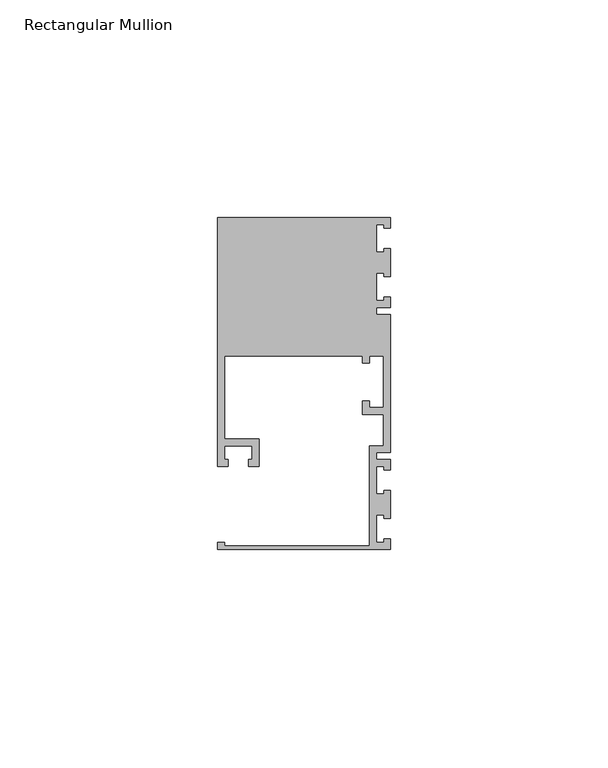
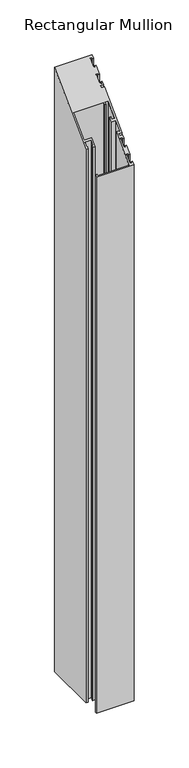
"""IFC4 building model written with IfcOpenShell, lengths in millimetres: member geometry, Rectangular Mullion."""

from ifc_helpers import new_model, si_unit, origin, place, context, project, spatial, faceted_brep, source, transform, mapped, element, save


def rectangular_mullion_5d78ac94(model_context):
    return source(origin(), model_context, "Body", "Brep", [
        faceted_brep([(0.0, -38.1, -635.0), (-39.6875, -38.1, -635.0), (-39.6875, -36.5125, -635.0), (-38.1, -36.5125, -635.0), (-38.1, -37.30625, -635.0), (-4.7625, -37.30625, -635.0), (-4.7625, -14.2875, -635.0), (-1.5875, -14.2875, -635.0), (-1.5875, -7.14375, -635.0), (-6.35, -7.14375, -635.0), (-6.35, -3.96875, -635.0), (-4.7625, -3.96875, -635.0), (-4.7625, -5.55625, -635.0), (-1.5875, -5.55625, -635.0), (-1.5875, 6.35, -635.0), (-4.7625, 6.35, -635.0), (-4.7625, 4.7625, -635.0), (-6.35, 4.7625, -635.0), (-6.35, 6.35, -635.0), (-38.1, 6.35, -635.0), (-38.1, -12.7, -635.0), (-30.1625, -12.7, -635.0), (-30.1625, -19.05, -635.0), (-32.54375, -19.05, -635.0), (-32.54375, -17.4625, -635.0), (-31.75, -17.4625, -635.0), (-31.75, -14.2875, -635.0), (-38.1, -14.2875, -635.0), (-38.1, -17.4625, -635.0), (-37.30625, -17.4625, -635.0), (-37.30625, -19.05, -635.0), (-39.6875, -19.05, -635.0), (-39.6875, 38.1, -635.0), (0.0, 38.1, -635.0), (0.0, 35.71875, -635.0), (-1.4999946, 35.71875, -635.0), (-1.4999946, 36.5125, -635.0), (-3.175, 36.5125, -635.0), (-3.175, 30.1625, -635.0), (-1.4999946, 30.1625, -635.0), (-1.4999946, 30.95625, -635.0), (0.0, 30.95625, -635.0), (0.0, 24.60625, -635.0), (-1.4999946, 24.60625, -635.0), (-1.4999946, 25.4, -635.0), (-3.175, 25.4, -635.0), (-3.175, 19.05, -635.0), (-1.4999946, 19.05, -635.0), (-1.4999946, 19.84375, -635.0), (0.0, 19.84375, -635.0), (0.0, 17.4625, -635.0), (-3.175, 17.4625, -635.0), (-3.175, 15.875, -635.0), (0.0, 15.875, -635.0), (0.0, -15.875, -635.0), (-3.175, -15.875, -635.0), (-3.175, -17.4625, -635.0), (0.0, -17.4625, -635.0), (0.0, -19.84375, -635.0), (-1.4999946, -19.84375, -635.0), (-1.4999946, -19.05, -635.0), (-3.175, -19.05, -635.0), (-3.175, -25.4, -635.0), (-1.4999946, -25.4, -635.0), (-1.4999946, -24.60625, -635.0), (0.0, -24.60625, -635.0), (0.0, -30.95625, -635.0), (-1.4999946, -30.95625, -635.0), (-1.4999946, -30.1625, -635.0), (-3.175, -30.1625, -635.0), (-3.175, -36.5125, -635.0), (-1.4999946, -36.5125, -635.0), (-1.4999946, -35.71875, -635.0), (0.0, -35.71875, -635.0), (0.0, -35.71875, -35.71875), (0.0, -38.1, -38.1), (-1.4999946, -35.71875, -35.71875), (-1.4999946, -36.5125, -36.5125), (-3.175, -36.5125, -36.5125), (-3.175, -30.1625, -30.1625), (-1.4999946, -30.1625, -30.1625), (-1.4999946, -30.95625, -30.95625), (0.0, -30.95625, -30.95625), (0.0, -24.60625, -24.60625), (-1.4999946, -24.60625, -24.60625), (-1.4999946, -25.4, -25.4), (-3.175, -25.4, -25.4), (-3.175, -19.05, -19.05), (-1.4999946, -19.05, -19.05), (-1.4999946, -19.84375, -19.84375), (0.0, -19.84375, -19.84375), (0.0, -17.4625, -17.4625), (-3.175, -17.4625, -17.4625), (-3.175, -15.875, -15.875), (0.0, -15.875, -15.875), (0.0, 15.875, 15.875), (-3.175, 15.875, 15.875), (-3.175, 17.4625, 17.4625), (0.0, 17.4625, 17.4625), (0.0, 19.84375, 19.84375), (-1.4999946, 19.84375, 19.84375), (-1.4999946, 19.05, 19.05), (-3.175, 19.05, 19.05), (-3.175, 25.4, 25.4), (-1.4999946, 25.4, 25.4), (-1.4999946, 24.60625, 24.60625), (0.0, 24.60625, 24.60625), (0.0, 30.95625, 30.95625), (-1.4999946, 30.95625, 30.95625), (-1.4999946, 30.1625, 30.1625), (-3.175, 30.1625, 30.1625), (-3.175, 36.5125, 36.5125), (-1.4999946, 36.5125, 36.5125), (-1.4999946, 35.71875, 35.71875), (0.0, 35.71875, 35.71875), (0.0, 38.1, 38.1), (-39.6875, 38.1, 38.1), (-39.6875, -19.05, -19.05), (-37.30625, -19.05, -19.05), (-37.30625, -17.4625, -17.4625), (-38.1, -17.4625, -17.4625), (-38.1, -14.2875, -14.2875), (-31.75, -14.2875, -14.2875), (-31.75, -17.4625, -17.4625), (-32.54375, -17.4625, -17.4625), (-32.54375, -19.05, -19.05), (-30.1625, -19.05, -19.05), (-30.1625, -12.7, -12.7), (-38.1, -12.7, -12.7), (-38.1, 6.35, 6.35), (-6.35, 6.35, 6.35), (-6.35, 4.7625, 4.7625), (-4.7625, 4.7625, 4.7625), (-4.7625, 6.35, 6.35), (-1.5875, 6.35, 6.35), (-1.5875, -5.55625, -5.55625), (-4.7625, -5.55625, -5.55625), (-4.7625, -3.96875, -3.96875), (-6.35, -3.96875, -3.96875), (-6.35, -7.14375, -7.14375), (-1.5875, -7.14375, -7.14375), (-1.5875, -14.2875, -14.2875), (-4.7625, -14.2875, -14.2875), (-4.7625, -37.30625, -37.30625), (-38.1, -37.30625, -37.30625), (-38.1, -36.5125, -36.5125), (-39.6875, -36.5125, -36.5125), (-39.6875, -38.1, -38.1)], [[[0, 1, 2, 3, 4, 5, 6, 7, 8, 9, 10, 11, 12, 13, 14, 15, 16, 17, 18, 19, 20, 21, 22, 23, 24, 25, 26, 27, 28, 29, 30, 31, 32, 33, 34, 35, 36, 37, 38, 39, 40, 41, 42, 43, 44, 45, 46, 47, 48, 49, 50, 51, 52, 53, 54, 55, 56, 57, 58, 59, 60, 61, 62, 63, 64, 65, 66, 67, 68, 69, 70, 71, 72, 73]], [[74, 75, 0, 73]], [[76, 74, 73, 72]], [[77, 76, 72, 71]], [[78, 77, 71, 70]], [[79, 78, 70, 69]], [[80, 79, 69, 68]], [[81, 80, 68, 67]], [[82, 81, 67, 66]], [[83, 82, 66, 65]], [[84, 83, 65, 64]], [[85, 84, 64, 63]], [[86, 85, 63, 62]], [[87, 86, 62, 61]], [[88, 87, 61, 60]], [[89, 88, 60, 59]], [[90, 89, 59, 58]], [[91, 90, 58, 57]], [[92, 91, 57, 56]], [[93, 92, 56, 55]], [[94, 93, 55, 54]], [[95, 94, 54, 53]], [[96, 95, 53, 52]], [[97, 96, 52, 51]], [[98, 97, 51, 50]], [[99, 98, 50, 49]], [[100, 99, 49, 48]], [[101, 100, 48, 47]], [[102, 101, 47, 46]], [[103, 102, 46, 45]], [[104, 103, 45, 44]], [[105, 104, 44, 43]], [[106, 105, 43, 42]], [[107, 106, 42, 41]], [[108, 107, 41, 40]], [[109, 108, 40, 39]], [[110, 109, 39, 38]], [[111, 110, 38, 37]], [[112, 111, 37, 36]], [[113, 112, 36, 35]], [[114, 113, 35, 34]], [[115, 114, 34, 33]], [[116, 115, 33, 32]], [[117, 116, 32, 31]], [[118, 117, 31, 30]], [[119, 118, 30, 29]], [[120, 119, 29, 28]], [[121, 120, 28, 27]], [[122, 121, 27, 26]], [[123, 122, 26, 25]], [[124, 123, 25, 24]], [[125, 124, 24, 23]], [[126, 125, 23, 22]], [[127, 126, 22, 21]], [[128, 127, 21, 20]], [[129, 128, 20, 19]], [[130, 129, 19, 18]], [[131, 130, 18, 17]], [[132, 131, 17, 16]], [[133, 132, 16, 15]], [[134, 133, 15, 14]], [[135, 134, 14, 13]], [[136, 135, 13, 12]], [[137, 136, 12, 11]], [[138, 137, 11, 10]], [[139, 138, 10, 9]], [[140, 139, 9, 8]], [[141, 140, 8, 7]], [[142, 141, 7, 6]], [[143, 142, 6, 5]], [[144, 143, 5, 4]], [[145, 144, 4, 3]], [[146, 145, 3, 2]], [[147, 146, 2, 1]], [[75, 147, 1, 0]], [[75, 74, 76, 77, 78, 79, 80, 81, 82, 83, 84, 85, 86, 87, 88, 89, 90, 91, 92, 93, 94, 95, 96, 97, 98, 99, 100, 101, 102, 103, 104, 105, 106, 107, 108, 109, 110, 111, 112, 113, 114, 115, 116, 117, 118, 119, 120, 121, 122, 123, 124, 125, 126, 127, 128, 129, 130, 131, 132, 133, 134, 135, 136, 137, 138, 139, 140, 141, 142, 143, 144, 145, 146, 147]]]),
    ])


if __name__ == "__main__":
    model = new_model("IFC4")
    model_context = context("Model", 3, world=origin())
    ifc_project = project(units=[si_unit("LENGTHUNIT", "METRE", prefix="MILLI")], contexts=[model_context])
    site = spatial("IfcSite", under=ifc_project)
    building = spatial("IfcBuilding", under=site)
    placement = place(None, origin())
    rectangular_mullion_shape = rectangular_mullion_5d78ac94(model_context)
    element("IfcMember", 1, ObjectType="Rectangular Mullion", at=placement, inside=building, context=model_context, shape_type="MappedRepresentation", body=[
        mapped(rectangular_mullion_shape, transform((0.0, 0.0, 0.0), x_axis=(1.0, 0.0, 0.0), y_axis=(0.0, 1.0, 0.0), z_axis=(0.0, 0.0, 1.0))),
    ])
    save(model, "model.ifc")
